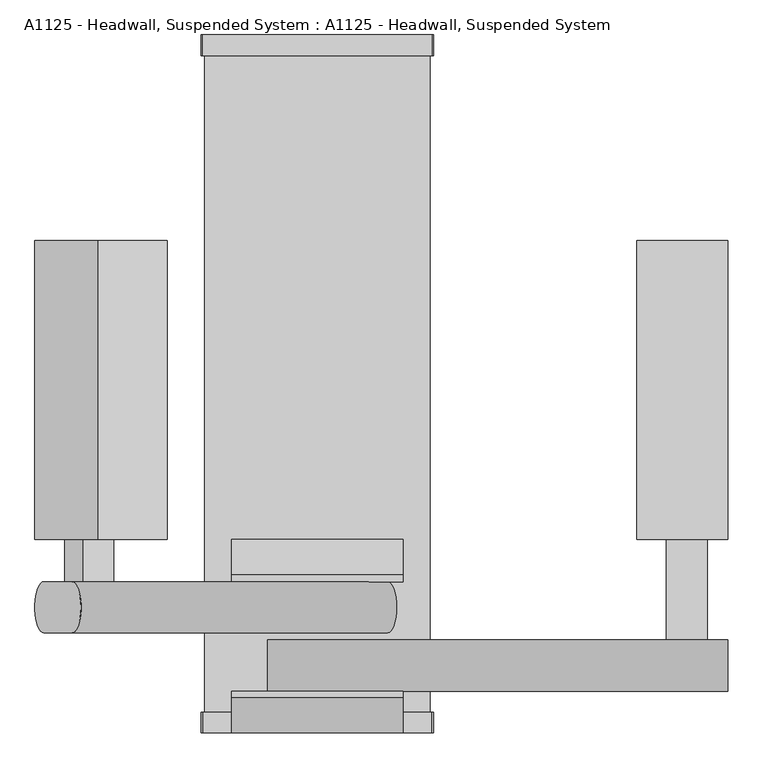
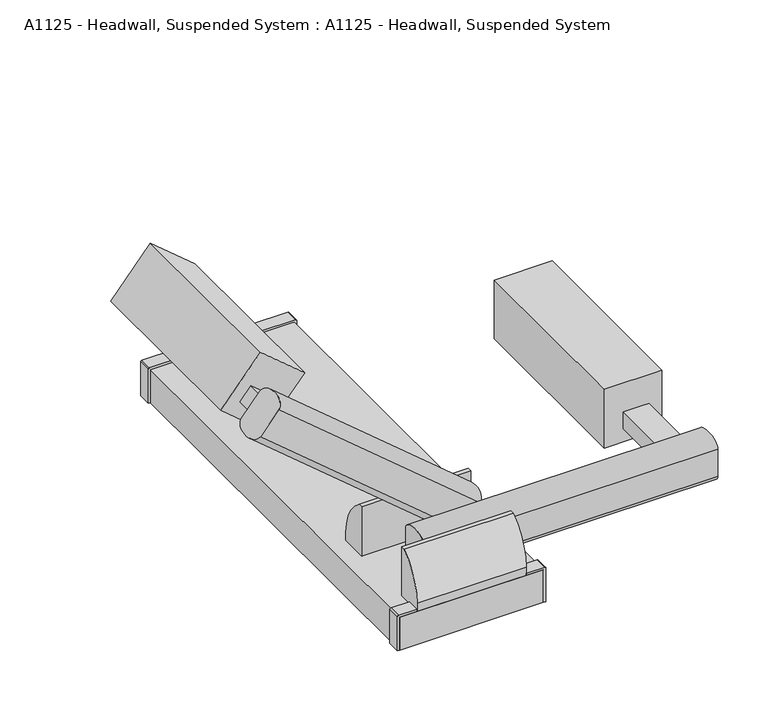
"""IFC4 building model written with IfcOpenShell, lengths in millimetres: proxy geometry, A1125 - Headwall, Suspended System : A1125 - Headwall, Suspended System."""

from ifc_helpers import new_model, si_unit, point, frame, frame_2d, origin, origin_with_axes, place, context, project, spatial, polyline, circle_curve, ellipse_curve, trimmed, segment, composite_curve, outline, extrude, source, transform, mapped, element, save
from ifc_brep_helpers import plane_surface, extruded_surface, advanced_brep


def a1125_headwall_suspended_system_a1125_headwall_suspended_54807c52(model_context):
    return source(origin(), model_context, "Body", "SolidModel", [
        extrude(outline(polyline([(1524.0, -763.5875), (1524.0, -1873.25), (1187.45, -1873.25), (1187.45, -763.5875), (1524.0, -763.5875)])), frame((0.0, 0.0, 247.65), z_axis=(0.0, 0.0, 1.0), x_axis=(1.0, 0.0, 0.0)), (0.0, 0.0, 1.0), 361.95),
        extrude(outline(polyline([(0.0, 336.55), (1109.6625, 336.55), (1109.6625, 0.0), (0.0, 0.0), (0.0, 336.55)])), frame((-1048.8050561, -763.5875, 1261.6499666), z_axis=(0.6427876096865364, 0.0, 0.7660444431189806), x_axis=(0.0, -1.0, 0.0)), (0.0, 0.0, 1.0), 361.95),
        extrude(outline(polyline([(0.0, 152.4), (157.1625, 152.4), (157.1625, 0.0), (0.0, 0.0), (0.0, 152.4)])), frame((-937.3703524, -1873.25, 1275.9065195), z_axis=(0.6427876096865347, 0.0, 0.7660444431189819), x_axis=(0.0, -1.0, 0.0)), (0.0, 0.0, 1.0), 101.6),
        extrude(outline(polyline([(1447.8, -1873.25), (1447.8, -2246.3125), (1295.4, -2246.3125), (1295.4, -1873.25), (1447.8, -1873.25)])), frame((0.0, 0.0, 330.2), z_axis=(0.0, 0.0, 1.0), x_axis=(1.0, 0.0, 0.0)), (0.0, 0.0, 1.0), 101.6),
        advanced_brep(
        [(155.1063605, -2220.9125, 317.7630312), (155.1063605, -2030.4125, 317.7630312), (261.2305949, -2030.4125, 444.2369688), (261.2305949, -2220.9125, 444.2369688), (-1016.1514455, -2220.9125, 1300.5650243), (-910.0272112, -2220.9125, 1427.0389618), (-910.0272112, -2030.4125, 1427.0389618), (-1016.1514455, -2030.4125, 1300.5650243)],
        [
            (0, 1, ellipse_curve(frame((155.1063605, -2125.6625, 317.7630312), z_axis=(0.7660444431189759, 0.0, -0.642787609686542), x_axis=(0.0, 1.0, 0.0)), 95.25, 50.8)),
            (1, 2),
            (2, 3, ellipse_curve(frame((261.2305949, -2125.6625, 444.2369688), z_axis=(0.7660444431189891, 0.0, -0.6427876096865263), x_axis=(0.0, 1.0, 0.0)), 95.25, 50.8)),
            (3, 0),
            (4, 5),
            (5, 6, ellipse_curve(frame((-910.0272112, -2125.6625, 1427.0389618), z_axis=(-0.7660444431189891, 0.0, 0.6427876096865263), x_axis=(0.0, 1.0, 0.0)), 95.25, 50.8)),
            (6, 7),
            (7, 4, ellipse_curve(frame((-1016.1514455, -2125.6625, 1300.5650243), z_axis=(-0.7660444431189759, 0.0, 0.642787609686542), x_axis=(0.0, 1.0, 0.0)), 95.25, 50.8)),
            (3, 5),
            (4, 0),
            (2, 6),
            (1, 7),
        ],
        [
            plane_surface(frame((126.5344513, -2220.9125, 283.7123557), z_axis=(0.7660444431189759, 0.0, -0.642787609686542), x_axis=(0.642787609686542, 0.0, 0.7660444431189759))),
            plane_surface(frame((-1044.7233548, -2220.9125, 1266.5143488), z_axis=(-0.7660444431189759, 0.0, 0.642787609686542), x_axis=(-0.642787609686542, 0.0, -0.7660444431189759))),
            plane_surface(frame((155.1063605, -2220.9125, 317.7630312), z_axis=(0.0, -1.0000000000000002, 0.0), x_axis=(-0.7660444431189759, 0.0, 0.642787609686542))),
            extruded_surface(trimmed(ellipse_curve(frame((-910.0272112, -2125.6625, 1427.0389618), z_axis=(-0.7660444431189891, 0.0, 0.6427876096865263), x_axis=(0.0, 1.0, 0.0)), 95.25, 50.8), [point((-910.0272112, -2220.9125, 1427.0389618))], [point((-910.0272112, -2030.4125, 1427.0389618))], True, "CARTESIAN"), (-1171.2578059999998, 0.0, 982.8019930999999), 1528.9684776859415),
            plane_surface(frame((261.2305949, -2030.4125, 444.2369688), z_axis=(0.0, 1.0000000000000002, 0.0), x_axis=(-0.7660444431189759, 0.0, 0.642787609686542))),
            extruded_surface(trimmed(ellipse_curve(frame((-1016.1514455, -2125.6625, 1300.5650243), z_axis=(-0.7660444431189759, 0.0, 0.642787609686542), x_axis=(0.0, 1.0, 0.0)), 95.25, 50.8), [point((-1016.1514455, -2030.4125, 1300.5650243))], [point((-1016.1514455, -2220.9125, 1300.5650243))], True, "CARTESIAN"), (-1171.2578061, 0.0, 982.801993), 1528.9684776982674),
        ],
        [
            (0, [[1, 2, 3, 4]]),
            (1, [[5, 6, 7, 8]]),
            (2, [[9, -5, 10, -4]]),
            (3, [[11, -6, -9, -3]]),
            (4, [[12, -7, -11, -2]]),
            (5, [[-10, -8, -12, -1]]),
        ],
    ),
        advanced_brep(
        [(1524.0, -2436.8125, 298.45), (1524.0, -2246.3125, 298.45), (1524.0, -2246.3125, 463.55), (1524.0, -2436.8125, 463.55), (-185.1096048, -2436.8125, 298.45), (-185.1096048, -2436.8125, 463.55), (-185.1096048, -2246.3125, 463.55), (-185.1096048, -2246.3125, 298.45)],
        [
            (0, 1, ellipse_curve(frame((1524.0, -2341.5625, 298.45), z_axis=(1.0, 0.0, 0.0), x_axis=(0.0, 1.0, 0.0)), 95.25, 50.8)),
            (1, 2),
            (2, 3, ellipse_curve(frame((1524.0, -2341.5625, 463.55), z_axis=(1.0, 0.0, 0.0), x_axis=(0.0, 1.0, 0.0)), 95.25, 50.8)),
            (3, 0),
            (4, 5),
            (5, 6, ellipse_curve(frame((-185.1096048, -2341.5625, 463.55), z_axis=(-1.0, 0.0, 0.0), x_axis=(0.0, 1.0, 0.0)), 95.25, 50.8)),
            (6, 7),
            (7, 4, ellipse_curve(frame((-185.1096048, -2341.5625, 298.45), z_axis=(-1.0, 0.0, 0.0), x_axis=(0.0, 1.0, 0.0)), 95.25, 50.8)),
            (3, 5),
            (4, 0),
            (2, 6),
            (1, 7),
        ],
        [
            plane_surface(frame((1524.0, -2436.8125, 254.0), z_axis=(1.0, 0.0, 0.0), x_axis=(0.0, 0.0, 1.0))),
            plane_surface(frame((-185.1096048, -2436.8125, 254.0), z_axis=(-1.0, 0.0, 0.0), x_axis=(0.0, 0.0, -1.0))),
            plane_surface(frame((1524.0, -2436.8125, 298.45), z_axis=(0.0, -1.0, 0.0), x_axis=(-1.0, 0.0, 0.0))),
            extruded_surface(trimmed(ellipse_curve(frame((-185.1096048, -2341.5625, 463.55), z_axis=(-1.0, 0.0, 0.0), x_axis=(0.0, 1.0, 0.0)), 95.25, 50.8), [point((-185.1096048, -2436.8125, 463.55))], [point((-185.1096048, -2246.3125, 463.55))], True, "CARTESIAN"), (-1709.1096048000002, 0.0, 0.0), 1709.1096048000002),
            plane_surface(frame((1524.0, -2246.3125, 463.55), z_axis=(0.0, 1.0, 0.0), x_axis=(-1.0, 0.0, 0.0))),
            extruded_surface(trimmed(ellipse_curve(frame((-185.1096048, -2341.5625, 298.45), z_axis=(-1.0, 0.0, 0.0), x_axis=(0.0, 1.0, 0.0)), 95.25, 50.8), [point((-185.1096048, -2246.3125, 298.45))], [point((-185.1096048, -2436.8125, 298.45))], True, "CARTESIAN"), (-1709.1096048000002, 0.0, 0.0), 1709.1096048000002),
        ],
        [
            (0, [[1, 2, 3, 4]]),
            (1, [[5, 6, 7, 8]]),
            (2, [[9, -5, 10, -4]]),
            (3, [[11, -6, -9, -3]]),
            (4, [[12, -7, -11, -2]]),
            (5, [[-10, -8, -12, -1]]),
        ],
    ),
        extrude(outline(composite_curve([segment(polyline([(-1873.25, 254.0), (-1873.25, 203.2), (-2030.4125, 203.2), (-2030.4125, 508.0), (-2005.0125, 508.0)]), True, "CONTINUOUS"), segment(trimmed(circle_curve(frame_2d((-2183.9505271, 254.0)), 310.7005271), [point((-2005.0125, 508.0))], [point((-1873.25, 254.0))], False, "CARTESIAN"), True, "CONTINUOUS")], self_intersect=False)), frame((-317.5, 0.0, 0.0), z_axis=(1.0, 0.0, 0.0), x_axis=(0.0, 1.0, 0.0)), (0.0, 0.0, 1.0), 635.0),
        extrude(outline(composite_curve([segment(polyline([(-2436.8125, 508.0), (-2436.8125, 203.2), (-2590.8, 203.2), (-2590.8, 254.0)]), True, "CONTINUOUS"), segment(trimmed(circle_curve(frame_2d((-2275.6420525, 254.0)), 315.1579475), [point((-2590.8, 254.0))], [point((-2462.2125, 508.0))], False, "CARTESIAN"), True, "CONTINUOUS"), segment(polyline([(-2462.2125, 508.0), (-2436.8125, 508.0)]), True, "CONTINUOUS")], self_intersect=False)), frame((-317.5, 0.0, 0.0), z_axis=(1.0, 0.0, 0.0), x_axis=(0.0, 1.0, 0.0)), (0.0, 0.0, 1.0), 635.0),
        extrude(outline(composite_curve([segment(polyline([(0.0, 431.8), (209.55, 431.8)]), True, "CONTINUOUS"), segment(trimmed(circle_curve(frame_2d((209.55, 425.45)), 6.35), [point((209.55, 431.8))], [point((215.9, 425.45))], False, "CARTESIAN"), True, "CONTINUOUS"), segment(polyline([(215.9, 425.45), (215.9, 317.5), (203.2, 317.5), (203.2, 419.1), (0.0, 419.1), (0.0, 431.8)]), True, "CONTINUOUS")], self_intersect=False)), frame((0.0, -2590.8, 0.0), z_axis=(0.0, 1.0, 0.0), x_axis=(0.0, 0.0, 1.0)), (0.0, 0.0, 1.0), 76.2),
        extrude(outline(composite_curve([segment(polyline([(0.0, -431.8), (0.0, -419.1), (203.2, -419.1), (203.2, -317.5), (215.9, -317.5), (215.9, -425.45)]), True, "CONTINUOUS"), segment(trimmed(circle_curve(frame_2d((209.55, -425.45)), 6.35), [point((215.9, -425.45))], [point((209.55, -431.8))], False, "CARTESIAN"), True, "CONTINUOUS"), segment(polyline([(209.55, -431.8), (0.0, -431.8)]), True, "CONTINUOUS")], self_intersect=False)), frame((0.0, -2590.8, 0.0), z_axis=(0.0, 1.0, 0.0), x_axis=(0.0, 0.0, 1.0)), (0.0, 0.0, 1.0), 76.2),
        extrude(outline(composite_curve([segment(polyline([(0.0, 431.8), (209.55, 431.8)]), True, "CONTINUOUS"), segment(trimmed(circle_curve(frame_2d((209.55, 425.45)), 6.35), [point((209.55, 431.8))], [point((215.9, 425.45))], False, "CARTESIAN"), True, "CONTINUOUS"), segment(polyline([(215.9, 425.45), (215.9, -425.45)]), True, "CONTINUOUS"), segment(trimmed(circle_curve(frame_2d((209.55, -425.45)), 6.35), [point((215.9, -425.45))], [point((209.55, -431.8))], False, "CARTESIAN"), True, "CONTINUOUS"), segment(polyline([(209.55, -431.8), (0.0, -431.8), (0.0, -419.1), (203.2, -419.1), (203.2, 419.1), (0.0, 419.1), (0.0, 431.8)]), True, "CONTINUOUS")], self_intersect=False)), frame((0.0, -76.2, 0.0), z_axis=(0.0, 1.0, 0.0), x_axis=(0.0, 0.0, 1.0)), (0.0, 0.0, 1.0), 76.2),
        extrude(outline(polyline([(419.1, -2590.8), (-419.1, -2590.8), (-419.1, 0.0), (419.1, 0.0), (419.1, -2590.8)])), origin_with_axes(), (0.0, 0.0, 1.0), 203.2),
    ])


if __name__ == "__main__":
    model = new_model("IFC4")
    model_context = context("Model", 3, world=origin())
    ifc_project = project(units=[si_unit("LENGTHUNIT", "METRE", prefix="MILLI")], contexts=[model_context])
    site = spatial("IfcSite", under=ifc_project)
    building = spatial("IfcBuilding", under=site)
    placement = place(None, origin())
    a1125_headwall_suspended_system_a1125_headwall_suspended_shape = a1125_headwall_suspended_system_a1125_headwall_suspended_54807c52(model_context)
    element("IfcBuildingElementProxy", 1, Name="A1125 - Headwall, Suspended System : A1125 - Headwall, Suspended System", ObjectType="A1125 - Headwall, Suspended System : A1125 - Headwall, Suspended System", at=placement, inside=building, context=model_context, shape_type="MappedRepresentation", body=[
        mapped(a1125_headwall_suspended_system_a1125_headwall_suspended_shape, transform((0.0, 0.0, 0.0), x_axis=(1.0, 0.0, 0.0), y_axis=(0.0, 1.0, 0.0), z_axis=(0.0, 0.0, 1.0))),
    ])
    save(model, "model.ifc")
